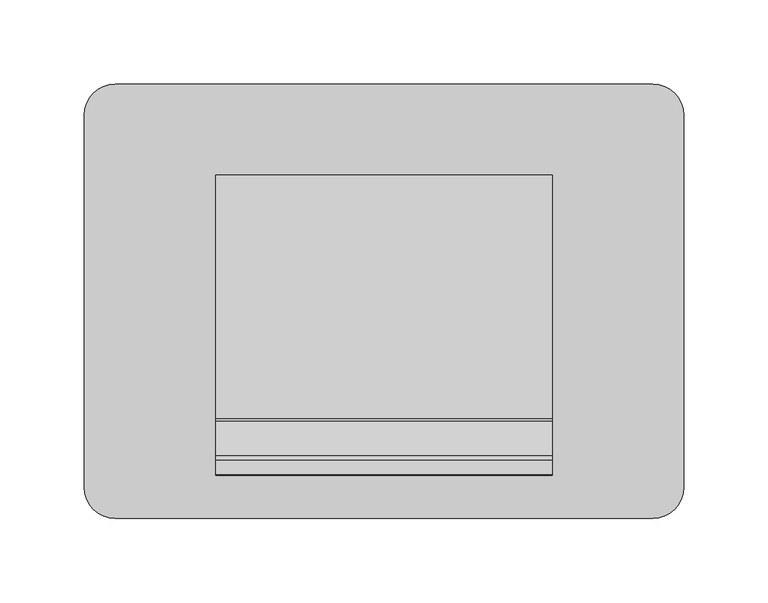
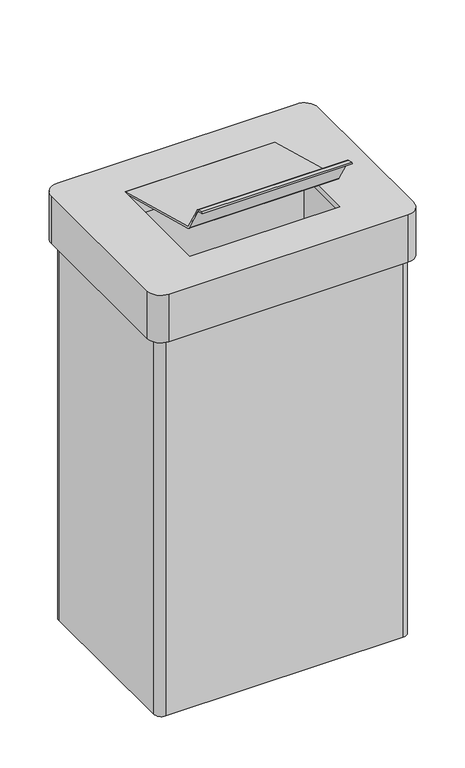
"""IFC4 building model written with IfcOpenShell, lengths in millimetres: furniture geometry."""

from ifc_helpers import new_model, si_unit, point, frame, frame_2d, origin, place, context, project, spatial, polyline, circle_curve, trimmed, segment, composite_curve, outline, extrude, source, transform, mapped, element, save
from ifc_brep_helpers import plane_surface, cylinder_surface, advanced_brep


def furniture_2bfc4ff7(model_context):
    return source(origin(), model_context, "Body", "SolidModel", [
        advanced_brep(
        [(159.5, 129.0, 601.2), (-159.5, 129.0, 601.2), (-178.0, 110.5, 601.2), (-178.0, -110.5, 601.2), (-159.5, -129.0, 601.2), (159.5, -129.0, 601.2), (178.0, -110.5, 601.2), (178.0, 110.5, 601.2), (100.0, 75.0, 601.2), (100.0, -75.0, 601.2), (-100.0, -75.0, 601.2), (-100.0, 75.0, 601.2), (159.5, 110.5, 593.2), (159.5, -110.5, 593.2), (-159.5, -110.5, 593.2), (-159.5, 110.5, 593.2), (100.0, 75.0, 593.2), (-100.0, 75.0, 593.2), (-100.0, -75.0, 593.2), (100.0, -75.0, 593.2), (159.5, 129.0, 534.2), (178.0, 110.5, 534.2), (178.0, -110.5, 534.2), (159.5, -129.0, 534.2), (-159.5, -129.0, 534.2), (-178.0, -110.5, 534.2), (-178.0, 110.5, 534.2), (-159.5, 129.0, 534.2), (159.5, 110.5, 534.2), (-159.5, 110.5, 534.2), (-159.5, -110.5, 534.2), (159.5, -110.5, 534.2)],
        [
            (0, 1),
            (1, 2, circle_curve(frame((-159.5, 110.5, 601.2), z_axis=(0.0, 0.0, 1.0), x_axis=(1.0, 0.0, 0.0)), 18.5)),
            (2, 3),
            (3, 4, circle_curve(frame((-159.5, -110.5, 601.2), z_axis=(0.0, 0.0, 1.0), x_axis=(1.0, 0.0, 0.0)), 18.5)),
            (4, 5),
            (5, 6, circle_curve(frame((159.5, -110.5, 601.2), z_axis=(0.0, 0.0, 1.0), x_axis=(1.0, 0.0, 0.0)), 18.5)),
            (6, 7),
            (7, 0, circle_curve(frame((159.5, 110.5, 601.2), z_axis=(0.0, 0.0, 1.0), x_axis=(1.0, 0.0, 0.0)), 18.5)),
            (8, 9),
            (9, 10),
            (10, 11),
            (11, 8),
            (12, 13),
            (13, 14),
            (14, 15),
            (15, 12),
            (16, 17),
            (17, 18),
            (18, 19),
            (19, 16),
            (20, 21, circle_curve(frame((159.5, 110.5, 534.2), z_axis=(0.0, 0.0, -1.0), x_axis=(1.0, 0.0, 0.0)), 18.5)),
            (21, 22),
            (22, 23, circle_curve(frame((159.5, -110.5, 534.2), z_axis=(0.0, 0.0, -1.0), x_axis=(1.0, 0.0, 0.0)), 18.5)),
            (23, 24),
            (24, 25, circle_curve(frame((-159.5, -110.5, 534.2), z_axis=(0.0, 0.0, -1.0), x_axis=(1.0, 0.0, 0.0)), 18.5)),
            (25, 26),
            (26, 27, circle_curve(frame((-159.5, 110.5, 534.2), z_axis=(0.0, 0.0, -1.0), x_axis=(1.0, 0.0, 0.0)), 18.5)),
            (27, 20),
            (28, 29),
            (29, 30),
            (30, 31),
            (31, 28),
            (0, 20),
            (27, 1),
            (26, 2),
            (25, 3),
            (24, 4),
            (23, 5),
            (22, 6),
            (21, 7),
            (31, 13),
            (12, 28),
            (30, 14),
            (29, 15),
            (8, 16),
            (19, 9),
            (18, 10),
            (17, 11),
        ],
        [
            plane_surface(frame((-159.5, 110.5, 601.2), z_axis=(0.0, 0.0, 1.0), x_axis=(-1.0, 0.0, 0.0))),
            plane_surface(frame((-159.5, 110.5, 593.2), z_axis=(0.0, 0.0, -1.0), x_axis=(1.0, 0.0, 0.0))),
            plane_surface(frame((-159.5, 129.0, 534.2), z_axis=(0.0, 0.0, -1.0), x_axis=(1.0, 0.0, 0.0))),
            plane_surface(frame((159.5, 129.0, 601.2), z_axis=(0.0, 1.0, 0.0), x_axis=(0.0, 0.0, -1.0))),
            cylinder_surface(frame((-159.5, 110.5, 534.2), z_axis=(0.0, 0.0, 1.0), x_axis=(1.0, 0.0, 0.0)), 18.5),
            plane_surface(frame((-178.0, 110.5, 601.2), z_axis=(-1.0, 0.0, 0.0), x_axis=(0.0, 0.0, -1.0))),
            cylinder_surface(frame((-159.5, -110.5, 534.2), z_axis=(0.0, 0.0, 1.0), x_axis=(1.0, 0.0, 0.0)), 18.5),
            plane_surface(frame((-159.5, -129.0, 601.2), z_axis=(0.0, -1.0, 0.0), x_axis=(0.0, 0.0, -1.0))),
            cylinder_surface(frame((159.5, -110.5, 534.2), z_axis=(0.0, 0.0, 1.0), x_axis=(1.0, 0.0, 0.0)), 18.5),
            plane_surface(frame((178.0, -110.5, 601.2), z_axis=(1.0, 0.0, 0.0), x_axis=(0.0, 0.0, -1.0))),
            cylinder_surface(frame((159.5, 110.5, 534.2), z_axis=(0.0, 0.0, 1.0), x_axis=(1.0, 0.0, 0.0)), 18.5),
            plane_surface(frame((159.5, 110.5, 601.2), z_axis=(-1.0, 0.0, 0.0), x_axis=(0.0, 0.0, -1.0))),
            plane_surface(frame((159.5, -110.5, 601.2), z_axis=(0.0, 1.0, 0.0), x_axis=(0.0, 0.0, -1.0))),
            plane_surface(frame((-159.5, -110.5, 601.2), z_axis=(1.0, 0.0, 0.0), x_axis=(0.0, 0.0, -1.0))),
            plane_surface(frame((-159.5, 110.5, 601.2), z_axis=(0.0, -1.0, 0.0), x_axis=(0.0, 0.0, -1.0))),
            plane_surface(frame((100.0, 75.0, 601.2), z_axis=(-1.0, 0.0, 0.0), x_axis=(0.0, 0.0, -1.0))),
            plane_surface(frame((100.0, -75.0, 601.2), z_axis=(0.0, 1.0, 0.0), x_axis=(0.0, 0.0, -1.0))),
            plane_surface(frame((-100.0, -75.0, 601.2), z_axis=(1.0, 0.0, 0.0), x_axis=(0.0, 0.0, -1.0))),
            plane_surface(frame((-100.0, 75.0, 601.2), z_axis=(0.0, -1.0, 0.0), x_axis=(0.0, 0.0, -1.0))),
        ],
        [
            (0, [[1, 2, 3, 4, 5, 6, 7, 8], [9, 10, 11, 12]]),
            (1, [[13, 14, 15, 16], [17, 18, 19, 20]]),
            (2, [[21, 22, 23, 24, 25, 26, 27, 28], [29, 30, 31, 32]]),
            (3, [[-1, 33, -28, 34]]),
            (4, [[-2, -34, -27, 35]]),
            (5, [[-3, -35, -26, 36]]),
            (6, [[-4, -36, -25, 37]]),
            (7, [[-5, -37, -24, 38]]),
            (8, [[-6, -38, -23, 39]]),
            (9, [[-7, -39, -22, 40]]),
            (10, [[-8, -40, -21, -33]]),
            (11, [[-32, 41, -13, 42]]),
            (12, [[-31, 43, -14, -41]]),
            (13, [[-30, 44, -15, -43]]),
            (14, [[-29, -42, -16, -44]]),
            (15, [[-9, 45, -20, 46]]),
            (16, [[-10, -46, -19, 47]]),
            (17, [[-11, -47, -18, 48]]),
            (18, [[-12, -48, -17, -45]]),
        ],
    ),
        advanced_brep(
        [(159.5, -110.5, 8.0), (159.5, 110.5, 8.0), (-159.5, 110.5, 8.0), (-159.5, -110.5, 8.0), (158.25, 119.75, 0.0), (168.75, 109.25, 0.0), (168.75, -109.25, 0.0), (158.25, -119.75, 0.0), (-158.25, -119.75, 0.0), (-168.75, -109.25, 0.0), (-168.75, 109.25, 0.0), (-158.25, 119.75, 0.0), (158.25, 119.75, 534.2), (-158.25, 119.75, 534.2), (-168.75, 109.25, 534.2), (-168.75, -109.25, 534.2), (-158.25, -119.75, 534.2), (158.25, -119.75, 534.2), (168.75, -109.25, 534.2), (168.75, 109.25, 534.2), (159.5, 110.5, 534.2), (159.5, -110.5, 534.2), (-159.5, -110.5, 534.2), (-159.5, 110.5, 534.2)],
        [
            (0, 1),
            (1, 2),
            (2, 3),
            (3, 0),
            (4, 5, circle_curve(frame((158.25, 109.25, 0.0), z_axis=(0.0, 0.0, -1.0), x_axis=(1.0, 0.0, 0.0)), 10.5)),
            (5, 6),
            (6, 7, circle_curve(frame((158.25, -109.25, 0.0), z_axis=(0.0, 0.0, -1.0), x_axis=(1.0, 0.0, 0.0)), 10.5)),
            (7, 8),
            (8, 9, circle_curve(frame((-158.25, -109.25, 0.0), z_axis=(0.0, 0.0, -1.0), x_axis=(1.0, 0.0, 0.0)), 10.5)),
            (9, 10),
            (10, 11, circle_curve(frame((-158.25, 109.25, 0.0), z_axis=(0.0, 0.0, -1.0), x_axis=(1.0, 0.0, 0.0)), 10.5)),
            (11, 4),
            (12, 13),
            (13, 14, circle_curve(frame((-158.25, 109.25, 534.2), z_axis=(0.0, 0.0, 1.0), x_axis=(1.0, 0.0, 0.0)), 10.5)),
            (14, 15),
            (15, 16, circle_curve(frame((-158.25, -109.25, 534.2), z_axis=(0.0, 0.0, 1.0), x_axis=(1.0, 0.0, 0.0)), 10.5)),
            (16, 17),
            (17, 18, circle_curve(frame((158.25, -109.25, 534.2), z_axis=(0.0, 0.0, 1.0), x_axis=(1.0, 0.0, 0.0)), 10.5)),
            (18, 19),
            (19, 12, circle_curve(frame((158.25, 109.25, 534.2), z_axis=(0.0, 0.0, 1.0), x_axis=(1.0, 0.0, 0.0)), 10.5)),
            (20, 21),
            (21, 22),
            (22, 23),
            (23, 20),
            (20, 1),
            (0, 21),
            (3, 22),
            (2, 23),
            (12, 4),
            (11, 13),
            (10, 14),
            (9, 15),
            (8, 16),
            (7, 17),
            (6, 18),
            (5, 19),
        ],
        [
            plane_surface(frame((-159.5, 110.5, 8.0), z_axis=(0.0, 0.0, 1.0), x_axis=(-1.0, 0.0, 0.0))),
            plane_surface(frame((-159.5, 110.5, 0.0), z_axis=(0.0, 0.0, -1.0), x_axis=(1.0, 0.0, 0.0))),
            plane_surface(frame((159.5, 110.5, 534.2), z_axis=(0.0, 0.0, 1.0), x_axis=(0.0, -1.0, 0.0))),
            plane_surface(frame((159.5, 110.5, 534.2), z_axis=(-1.0, 0.0, 0.0), x_axis=(0.0, 0.0, -1.0))),
            plane_surface(frame((159.5, -110.5, 534.2), z_axis=(0.0, 1.0, 0.0), x_axis=(0.0, 0.0, -1.0))),
            plane_surface(frame((-159.5, -110.5, 534.2), z_axis=(1.0, 0.0, 0.0), x_axis=(0.0, 0.0, -1.0))),
            plane_surface(frame((-159.5, 110.5, 534.2), z_axis=(0.0, -1.0, 0.0), x_axis=(0.0, 0.0, -1.0))),
            plane_surface(frame((158.25, 119.75, 534.2), z_axis=(0.0, 1.0, 0.0), x_axis=(0.0, 0.0, -1.0))),
            cylinder_surface(frame((-158.25, 109.25, 0.0), z_axis=(0.0, 0.0, 1.0), x_axis=(1.0, 0.0, 0.0)), 10.5),
            plane_surface(frame((-168.75, 109.25, 534.2), z_axis=(-1.0, 0.0, 0.0), x_axis=(0.0, 0.0, -1.0))),
            cylinder_surface(frame((-158.25, -109.25, 0.0), z_axis=(0.0, 0.0, 1.0), x_axis=(1.0, 0.0, 0.0)), 10.5),
            plane_surface(frame((-158.25, -119.75, 534.2), z_axis=(0.0, -1.0, 0.0), x_axis=(0.0, 0.0, -1.0))),
            cylinder_surface(frame((158.25, -109.25, 0.0), z_axis=(0.0, 0.0, 1.0), x_axis=(1.0, 0.0, 0.0)), 10.5),
            plane_surface(frame((168.75, -109.25, 534.2), z_axis=(1.0, 0.0, 0.0), x_axis=(0.0, 0.0, -1.0))),
            cylinder_surface(frame((158.25, 109.25, 0.0), z_axis=(0.0, 0.0, 1.0), x_axis=(1.0, 0.0, 0.0)), 10.5),
        ],
        [
            (0, [[1, 2, 3, 4]]),
            (1, [[5, 6, 7, 8, 9, 10, 11, 12]]),
            (2, [[13, 14, 15, 16, 17, 18, 19, 20], [21, 22, 23, 24]]),
            (3, [[-21, 25, -1, 26]]),
            (4, [[-22, -26, -4, 27]]),
            (5, [[-23, -27, -3, 28]]),
            (6, [[-24, -28, -2, -25]]),
            (7, [[-13, 29, -12, 30]]),
            (8, [[-14, -30, -11, 31]]),
            (9, [[-15, -31, -10, 32]]),
            (10, [[-16, -32, -9, 33]]),
            (11, [[-17, -33, -8, 34]]),
            (12, [[-18, -34, -7, 35]]),
            (13, [[-19, -35, -6, 36]]),
            (14, [[-20, -36, -5, -29]]),
        ],
    ),
        extrude(outline(composite_curve([segment(polyline([(-69.8932292, 640.0240238), (75.0, 601.2), (74.4410999, 599.1141564), (-70.447774, 637.9370132)]), True, "CONTINUOUS"), segment(trimmed(circle_curve(frame_2d((-69.3271571, 642.1192126)), 4.3297315), [point((-70.447774, 637.9370132))], [point((-73.0745578, 639.9504429))], False, "CARTESIAN"), True, "CONTINUOUS"), segment(polyline([(-73.0745578, 639.9504429), (-93.3981137, 675.1518742)]), True, "CONTINUOUS"), segment(trimmed(circle_curve(frame_2d((-95.2682278, 674.0721633)), 2.1594218), [point((-93.3981137, 675.1518742))], [point((-94.5473475, 676.107706))], True, "CARTESIAN"), True, "CONTINUOUS"), segment(polyline([(-94.5473475, 676.107706), (-103.3712563, 678.4758396), (-102.8115764, 680.5645934), (-94.1504288, 678.2438459)]), True, "CONTINUOUS"), segment(trimmed(circle_curve(frame_2d((-95.2682278, 674.0721633)), 4.3188436), [point((-94.1504288, 678.2438459))], [point((-91.5279995, 676.2315851))], False, "CARTESIAN"), True, "CONTINUOUS"), segment(polyline([(-91.5279995, 676.2315851), (-71.2044439, 641.0301541)]), True, "CONTINUOUS"), segment(trimmed(circle_curve(frame_2d((-69.3343297, 642.109865)), 2.1594218), [point((-71.2044439, 641.0301541))], [point((-69.8932292, 640.0240238))], True, "CARTESIAN"), True, "CONTINUOUS")], self_intersect=False)), frame((-100.0, 0.0, 0.0), z_axis=(1.0, 0.0, 0.0), x_axis=(0.0, 1.0, 0.0)), (0.0, 0.0, 1.0), 200.0),
    ])


if __name__ == "__main__":
    model = new_model("IFC4")
    model_context = context("Model", 3, world=origin())
    ifc_project = project(units=[si_unit("LENGTHUNIT", "METRE", prefix="MILLI")], contexts=[model_context])
    site = spatial("IfcSite", under=ifc_project)
    building = spatial("IfcBuilding", under=site)
    placement = place(None, origin())
    furniture_shape = furniture_2bfc4ff7(model_context)
    element("IfcFurniture", 1, at=placement, inside=building, context=model_context, shape_type="MappedRepresentation", body=[
        mapped(furniture_shape, transform((0.0, 0.0, 0.0), x_axis=(1.0, 0.0, 0.0), y_axis=(0.0, 1.0, 0.0), z_axis=(0.0, 0.0, 1.0))),
    ])
    save(model, "model.ifc")
